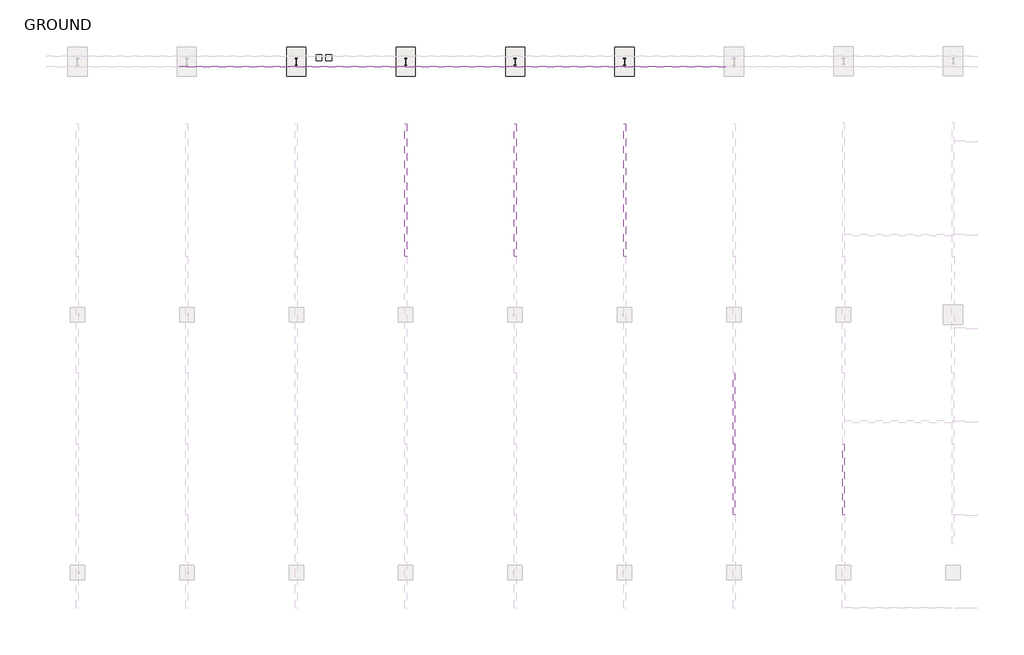
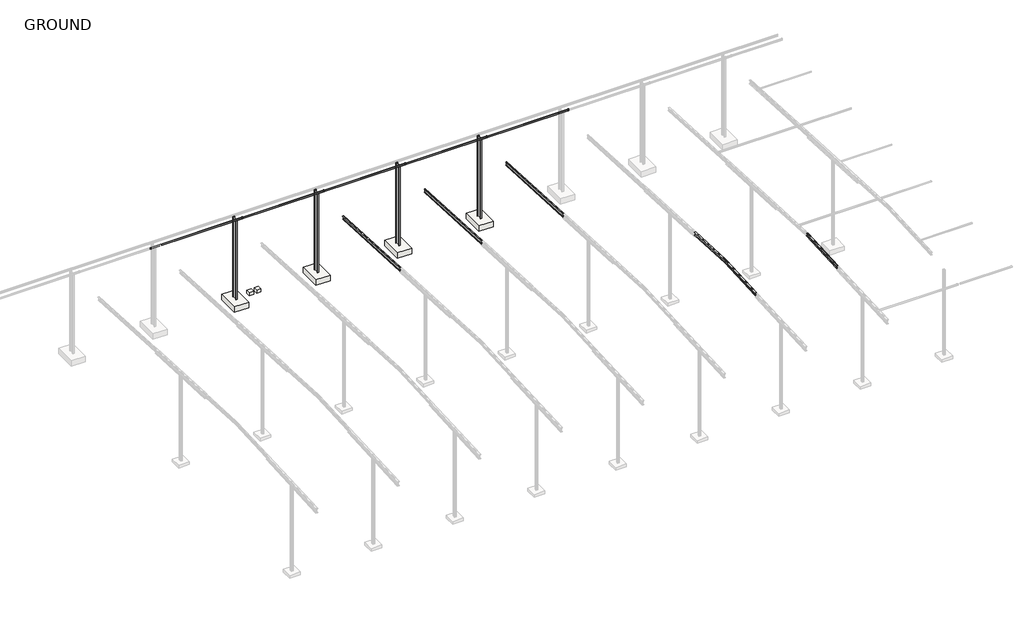
# One storey, part 54 of 56: 11 beams, 6 slabs, 4 columns.
"""IFC4 building model written with IfcOpenShell, lengths in millimetres."""

from ifc_helpers import new_model, si_unit, point, frame, frame_2d, origin, place, context, project, spatial, polyline, circle_curve, ellipse_curve, trimmed, segment, composite_curve, outline, extrude, element, save
from ifc_brep_helpers import plane_surface, revolved_surface, advanced_brep

model = new_model("IFC4")

# Units and contexts
model_context = context("Model", 3, world=origin())
ifc_project = project(units=[si_unit("LENGTHUNIT", "METRE", prefix="MILLI")], contexts=[model_context])

# Site, building, storey
site = spatial("IfcSite", under=ifc_project)
building = spatial("IfcBuilding", under=site)
storey = spatial("IfcBuildingStorey", under=building, Name="GROUND", Elevation=47100.0)

# Beams
placement = place(None, origin())
element("IfcBeam", 1, ObjectType="P2-Z25019", at=placement, inside=storey, context=model_context, shape_type="SweptSolid", body=[
    extrude(outline(composite_curve([segment(polyline([(241908.8594696, 58509.8380858), (241921.744582, 58755.7006773)]), True, "CONTINUOUS"), segment(trimmed(circle_curve(frame_2d((241919.747323, 58755.8053492)), 2.0), [point((241921.744582, 58755.7006773))], [point((241919.8519949, 58757.8026083))], True, "CARTESIAN"), True, "CONTINUOUS"), segment(polyline([(241919.8519949, 58757.8026083), (241860.8329894, 58760.8956633)]), True, "CONTINUOUS"), segment(trimmed(circle_curve(frame_2d((241860.7283175, 58758.8984042)), 2.0), [point((241860.8329894, 58760.8956633))], [point((241858.7310584, 58759.0030761))], True, "CARTESIAN"), True, "CONTINUOUS"), segment(polyline([(241858.7310584, 58759.0030761), (241857.8361135, 58741.9265111), (241855.9387174, 58742.0259494), (241856.8336623, 58759.1025144)]), True, "CONTINUOUS"), segment(trimmed(circle_curve(frame_2d((241860.7283175, 58758.8984042)), 3.9), [point((241856.8336623, 58759.1025144))], [point((241860.9324277, 58762.7930594))], False, "CARTESIAN"), True, "CONTINUOUS"), segment(polyline([(241860.9324277, 58762.7930594), (241919.9514332, 58759.7000044)]), True, "CONTINUOUS"), segment(trimmed(circle_curve(frame_2d((241919.747323, 58755.8053492)), 3.9), [point((241919.9514332, 58759.7000044))], [point((241923.6419781, 58755.601239))], False, "CARTESIAN"), True, "CONTINUOUS"), segment(polyline([(241923.6419781, 58755.601239), (241910.7568657, 58509.7386475)]), True, "CONTINUOUS"), segment(trimmed(circle_curve(frame_2d((241912.7541248, 58509.6339756)), 2.0), [point((241910.7568657, 58509.7386475))], [point((241912.6494529, 58507.6367165))], True, "CARTESIAN"), True, "CONTINUOUS"), segment(polyline([(241912.6494529, 58507.6367165), (241983.252561, 58503.9365644)]), True, "CONTINUOUS"), segment(trimmed(circle_curve(frame_2d((241983.3572329, 58505.9338235)), 2.0), [point((241983.252561, 58503.9365644))], [point((241985.354492, 58505.8291516))], True, "CARTESIAN"), True, "CONTINUOUS"), segment(polyline([(241985.354492, 58505.8291516), (241986.2494368, 58522.9057166), (241988.1468329, 58522.8062783), (241987.2518881, 58505.7297133)]), True, "CONTINUOUS"), segment(trimmed(circle_curve(frame_2d((241983.3572329, 58505.9338235)), 3.9), [point((241987.2518881, 58505.7297133))], [point((241983.1531227, 58502.0391683))], False, "CARTESIAN"), True, "CONTINUOUS"), segment(polyline([(241983.1531227, 58502.0391683), (241912.5500146, 58505.7393204)]), True, "CONTINUOUS"), segment(trimmed(circle_curve(frame_2d((241912.7541248, 58509.6339756)), 3.9), [point((241912.5500146, 58505.7393204))], [point((241908.8594696, 58509.8380858))], False, "CARTESIAN"), True, "CONTINUOUS")], self_intersect=False)), frame((-71476.2885398, 0.0, 0.0), z_axis=(1.0, 0.0, 0.0), x_axis=(0.0, 1.0, 0.0)), (0.0, 0.0, 1.0), 12800.0),
])
element("IfcBeam", 2, ObjectType="P2-Z25019", at=placement, inside=storey, context=model_context, shape_type="SweptSolid", body=[
    extrude(outline(composite_curve([segment(polyline([(241908.8594696, 58509.8380858), (241921.744582, 58755.7006773)]), True, "CONTINUOUS"), segment(trimmed(circle_curve(frame_2d((241919.747323, 58755.8053492)), 2.0), [point((241921.744582, 58755.7006773))], [point((241919.8519949, 58757.8026083))], True, "CARTESIAN"), True, "CONTINUOUS"), segment(polyline([(241919.8519949, 58757.8026083), (241860.8329894, 58760.8956633)]), True, "CONTINUOUS"), segment(trimmed(circle_curve(frame_2d((241860.7283175, 58758.8984042)), 2.0), [point((241860.8329894, 58760.8956633))], [point((241858.7310584, 58759.0030761))], True, "CARTESIAN"), True, "CONTINUOUS"), segment(polyline([(241858.7310584, 58759.0030761), (241857.8361135, 58741.9265111), (241855.9387174, 58742.0259494), (241856.8336623, 58759.1025144)]), True, "CONTINUOUS"), segment(trimmed(circle_curve(frame_2d((241860.7283175, 58758.8984042)), 3.9), [point((241856.8336623, 58759.1025144))], [point((241860.9324277, 58762.7930594))], False, "CARTESIAN"), True, "CONTINUOUS"), segment(polyline([(241860.9324277, 58762.7930594), (241919.9514332, 58759.7000044)]), True, "CONTINUOUS"), segment(trimmed(circle_curve(frame_2d((241919.747323, 58755.8053492)), 3.9), [point((241919.9514332, 58759.7000044))], [point((241923.6419781, 58755.601239))], False, "CARTESIAN"), True, "CONTINUOUS"), segment(polyline([(241923.6419781, 58755.601239), (241910.7568657, 58509.7386475)]), True, "CONTINUOUS"), segment(trimmed(circle_curve(frame_2d((241912.7541248, 58509.6339756)), 2.0), [point((241910.7568657, 58509.7386475))], [point((241912.6494529, 58507.6367165))], True, "CARTESIAN"), True, "CONTINUOUS"), segment(polyline([(241912.6494529, 58507.6367165), (241983.252561, 58503.9365644)]), True, "CONTINUOUS"), segment(trimmed(circle_curve(frame_2d((241983.3572329, 58505.9338235)), 2.0), [point((241983.252561, 58503.9365644))], [point((241985.354492, 58505.8291516))], True, "CARTESIAN"), True, "CONTINUOUS"), segment(polyline([(241985.354492, 58505.8291516), (241986.2494368, 58522.9057166), (241988.1468329, 58522.8062783), (241987.2518881, 58505.7297133)]), True, "CONTINUOUS"), segment(trimmed(circle_curve(frame_2d((241983.3572329, 58505.9338235)), 3.9), [point((241987.2518881, 58505.7297133))], [point((241983.1531227, 58502.0391683))], False, "CARTESIAN"), True, "CONTINUOUS"), segment(polyline([(241983.1531227, 58502.0391683), (241912.5500146, 58505.7393204)]), True, "CONTINUOUS"), segment(trimmed(circle_curve(frame_2d((241912.7541248, 58509.6339756)), 3.9), [point((241912.5500146, 58505.7393204))], [point((241908.8594696, 58509.8380858))], False, "CARTESIAN"), True, "CONTINUOUS")], self_intersect=False)), frame((-82776.2885398, 0.0, 0.0), z_axis=(1.0, 0.0, 0.0), x_axis=(0.0, 1.0, 0.0)), (0.0, 0.0, 1.0), 12800.0),
])
element("IfcBeam", 3, ObjectType="P2-Z25019", at=placement, inside=storey, context=model_context, shape_type="SweptSolid", body=[
    extrude(outline(composite_curve([segment(polyline([(241908.8594696, 58509.8380858), (241921.744582, 58755.7006773)]), True, "CONTINUOUS"), segment(trimmed(circle_curve(frame_2d((241919.747323, 58755.8053492)), 2.0), [point((241921.744582, 58755.7006773))], [point((241919.8519949, 58757.8026083))], True, "CARTESIAN"), True, "CONTINUOUS"), segment(polyline([(241919.8519949, 58757.8026083), (241860.8329894, 58760.8956633)]), True, "CONTINUOUS"), segment(trimmed(circle_curve(frame_2d((241860.7283175, 58758.8984042)), 2.0), [point((241860.8329894, 58760.8956633))], [point((241858.7310584, 58759.0030761))], True, "CARTESIAN"), True, "CONTINUOUS"), segment(polyline([(241858.7310584, 58759.0030761), (241857.8361135, 58741.9265111), (241855.9387174, 58742.0259494), (241856.8336623, 58759.1025144)]), True, "CONTINUOUS"), segment(trimmed(circle_curve(frame_2d((241860.7283175, 58758.8984042)), 3.9), [point((241856.8336623, 58759.1025144))], [point((241860.9324277, 58762.7930594))], False, "CARTESIAN"), True, "CONTINUOUS"), segment(polyline([(241860.9324277, 58762.7930594), (241919.9514332, 58759.7000044)]), True, "CONTINUOUS"), segment(trimmed(circle_curve(frame_2d((241919.747323, 58755.8053492)), 3.9), [point((241919.9514332, 58759.7000044))], [point((241923.6419781, 58755.601239))], False, "CARTESIAN"), True, "CONTINUOUS"), segment(polyline([(241923.6419781, 58755.601239), (241910.7568657, 58509.7386475)]), True, "CONTINUOUS"), segment(trimmed(circle_curve(frame_2d((241912.7541248, 58509.6339756)), 2.0), [point((241910.7568657, 58509.7386475))], [point((241912.6494529, 58507.6367165))], True, "CARTESIAN"), True, "CONTINUOUS"), segment(polyline([(241912.6494529, 58507.6367165), (241983.252561, 58503.9365644)]), True, "CONTINUOUS"), segment(trimmed(circle_curve(frame_2d((241983.3572329, 58505.9338235)), 2.0), [point((241983.252561, 58503.9365644))], [point((241985.354492, 58505.8291516))], True, "CARTESIAN"), True, "CONTINUOUS"), segment(polyline([(241985.354492, 58505.8291516), (241986.2494368, 58522.9057166), (241988.1468329, 58522.8062783), (241987.2518881, 58505.7297133)]), True, "CONTINUOUS"), segment(trimmed(circle_curve(frame_2d((241983.3572329, 58505.9338235)), 3.9), [point((241987.2518881, 58505.7297133))], [point((241983.1531227, 58502.0391683))], False, "CARTESIAN"), True, "CONTINUOUS"), segment(polyline([(241983.1531227, 58502.0391683), (241912.5500146, 58505.7393204)]), True, "CONTINUOUS"), segment(trimmed(circle_curve(frame_2d((241912.7541248, 58509.6339756)), 3.9), [point((241912.5500146, 58505.7393204))], [point((241908.8594696, 58509.8380858))], False, "CARTESIAN"), True, "CONTINUOUS")], self_intersect=False)), frame((-94076.2885398, 0.0, 0.0), z_axis=(1.0, 0.0, 0.0), x_axis=(0.0, 1.0, 0.0)), (0.0, 0.0, 1.0), 12800.0),
])
element("IfcBeam", 4, ObjectType="P2-Z25019", at=placement, inside=storey, context=model_context, shape_type="SweptSolid", body=[
    extrude(outline(composite_curve([segment(polyline([(241908.8594696, 58509.8380858), (241921.744582, 58755.7006773)]), True, "CONTINUOUS"), segment(trimmed(circle_curve(frame_2d((241919.747323, 58755.8053492)), 2.0), [point((241921.744582, 58755.7006773))], [point((241919.8519949, 58757.8026083))], True, "CARTESIAN"), True, "CONTINUOUS"), segment(polyline([(241919.8519949, 58757.8026083), (241860.8329894, 58760.8956633)]), True, "CONTINUOUS"), segment(trimmed(circle_curve(frame_2d((241860.7283175, 58758.8984042)), 2.0), [point((241860.8329894, 58760.8956633))], [point((241858.7310584, 58759.0030761))], True, "CARTESIAN"), True, "CONTINUOUS"), segment(polyline([(241858.7310584, 58759.0030761), (241857.8361135, 58741.9265111), (241855.9387174, 58742.0259494), (241856.8336623, 58759.1025144)]), True, "CONTINUOUS"), segment(trimmed(circle_curve(frame_2d((241860.7283175, 58758.8984042)), 3.9), [point((241856.8336623, 58759.1025144))], [point((241860.9324277, 58762.7930594))], False, "CARTESIAN"), True, "CONTINUOUS"), segment(polyline([(241860.9324277, 58762.7930594), (241919.9514332, 58759.7000044)]), True, "CONTINUOUS"), segment(trimmed(circle_curve(frame_2d((241919.747323, 58755.8053492)), 3.9), [point((241919.9514332, 58759.7000044))], [point((241923.6419781, 58755.601239))], False, "CARTESIAN"), True, "CONTINUOUS"), segment(polyline([(241923.6419781, 58755.601239), (241910.7568657, 58509.7386475)]), True, "CONTINUOUS"), segment(trimmed(circle_curve(frame_2d((241912.7541248, 58509.6339756)), 2.0), [point((241910.7568657, 58509.7386475))], [point((241912.6494529, 58507.6367165))], True, "CARTESIAN"), True, "CONTINUOUS"), segment(polyline([(241912.6494529, 58507.6367165), (241983.252561, 58503.9365644)]), True, "CONTINUOUS"), segment(trimmed(circle_curve(frame_2d((241983.3572329, 58505.9338235)), 2.0), [point((241983.252561, 58503.9365644))], [point((241985.354492, 58505.8291516))], True, "CARTESIAN"), True, "CONTINUOUS"), segment(polyline([(241985.354492, 58505.8291516), (241986.2494368, 58522.9057166), (241988.1468329, 58522.8062783), (241987.2518881, 58505.7297133)]), True, "CONTINUOUS"), segment(trimmed(circle_curve(frame_2d((241983.3572329, 58505.9338235)), 3.9), [point((241987.2518881, 58505.7297133))], [point((241983.1531227, 58502.0391683))], False, "CARTESIAN"), True, "CONTINUOUS"), segment(polyline([(241983.1531227, 58502.0391683), (241912.5500146, 58505.7393204)]), True, "CONTINUOUS"), segment(trimmed(circle_curve(frame_2d((241912.7541248, 58509.6339756)), 3.9), [point((241912.5500146, 58505.7393204))], [point((241908.8594696, 58509.8380858))], False, "CARTESIAN"), True, "CONTINUOUS")], self_intersect=False)), frame((-105376.2885398, 0.0, 0.0), z_axis=(1.0, 0.0, 0.0), x_axis=(0.0, 1.0, 0.0)), (0.0, 0.0, 1.0), 12800.0),
])
element("IfcBeam", 5, ObjectType="P2-Z25019", at=placement, inside=storey, context=model_context, shape_type="SweptSolid", body=[
    extrude(outline(composite_curve([segment(polyline([(241908.8594696, 58509.8380858), (241921.744582, 58755.7006773)]), True, "CONTINUOUS"), segment(trimmed(circle_curve(frame_2d((241919.747323, 58755.8053492)), 2.0), [point((241921.744582, 58755.7006773))], [point((241919.8519949, 58757.8026083))], True, "CARTESIAN"), True, "CONTINUOUS"), segment(polyline([(241919.8519949, 58757.8026083), (241860.8329894, 58760.8956633)]), True, "CONTINUOUS"), segment(trimmed(circle_curve(frame_2d((241860.7283175, 58758.8984042)), 2.0), [point((241860.8329894, 58760.8956633))], [point((241858.7310584, 58759.0030761))], True, "CARTESIAN"), True, "CONTINUOUS"), segment(polyline([(241858.7310584, 58759.0030761), (241857.8361135, 58741.9265111), (241855.9387174, 58742.0259494), (241856.8336623, 58759.1025144)]), True, "CONTINUOUS"), segment(trimmed(circle_curve(frame_2d((241860.7283175, 58758.8984042)), 3.9), [point((241856.8336623, 58759.1025144))], [point((241860.9324277, 58762.7930594))], False, "CARTESIAN"), True, "CONTINUOUS"), segment(polyline([(241860.9324277, 58762.7930594), (241919.9514332, 58759.7000044)]), True, "CONTINUOUS"), segment(trimmed(circle_curve(frame_2d((241919.747323, 58755.8053492)), 3.9), [point((241919.9514332, 58759.7000044))], [point((241923.6419781, 58755.601239))], False, "CARTESIAN"), True, "CONTINUOUS"), segment(polyline([(241923.6419781, 58755.601239), (241910.7568657, 58509.7386475)]), True, "CONTINUOUS"), segment(trimmed(circle_curve(frame_2d((241912.7541248, 58509.6339756)), 2.0), [point((241910.7568657, 58509.7386475))], [point((241912.6494529, 58507.6367165))], True, "CARTESIAN"), True, "CONTINUOUS"), segment(polyline([(241912.6494529, 58507.6367165), (241983.252561, 58503.9365644)]), True, "CONTINUOUS"), segment(trimmed(circle_curve(frame_2d((241983.3572329, 58505.9338235)), 2.0), [point((241983.252561, 58503.9365644))], [point((241985.354492, 58505.8291516))], True, "CARTESIAN"), True, "CONTINUOUS"), segment(polyline([(241985.354492, 58505.8291516), (241986.2494368, 58522.9057166), (241988.1468329, 58522.8062783), (241987.2518881, 58505.7297133)]), True, "CONTINUOUS"), segment(trimmed(circle_curve(frame_2d((241983.3572329, 58505.9338235)), 3.9), [point((241987.2518881, 58505.7297133))], [point((241983.1531227, 58502.0391683))], False, "CARTESIAN"), True, "CONTINUOUS"), segment(polyline([(241983.1531227, 58502.0391683), (241912.5500146, 58505.7393204)]), True, "CONTINUOUS"), segment(trimmed(circle_curve(frame_2d((241912.7541248, 58509.6339756)), 3.9), [point((241912.5500146, 58505.7393204))], [point((241908.8594696, 58509.8380858))], False, "CARTESIAN"), True, "CONTINUOUS")], self_intersect=False)), frame((-116676.2885398, 0.0, 0.0), z_axis=(1.0, 0.0, 0.0), x_axis=(0.0, 1.0, 0.0)), (0.0, 0.0, 1.0), 12800.0),
])
element("IfcBeam", 6, ObjectType="R10-410UB59.7", at=placement, inside=storey, context=model_context, shape_type="AdvancedBrep", body=[
    advanced_brep(
    [(-59430.1885398, 202970.0, 60153.9145624), (-59441.5885398, 202970.0, 60142.4989176), (-59441.5885398, 195650.3170897, 59758.8905912), (-59430.1885398, 195649.7204598, 59770.2749679), (-59430.1885398, 202970.0, 60512.4058622), (-59430.1885398, 195630.9841874, 60127.7843414), (-59441.5885398, 202970.0, 60523.821507), (-59441.5885398, 195630.3875575, 60139.1687181), (-59515.2885398, 202970.0, 60523.821507), (-59515.2885398, 195630.3875575, 60139.1687181), (-59515.2885398, 202970.0, 60536.639073), (-59515.2885398, 195629.7176573, 60151.9511761), (-59337.2885398, 202970.0, 60536.639073), (-59337.2885398, 195629.7176573, 60151.9511761), (-59337.2885398, 202970.0, 60523.821507), (-59337.2885398, 195630.3875575, 60139.1687181), (-59515.2885398, 195650.3170897, 59758.8905912), (-59515.2885398, 195650.9869899, 59746.1081332), (-59337.2885398, 195650.9869899, 59746.1081332), (-59337.2885398, 195650.3170897, 59758.8905912), (-59410.9885398, 195650.3170897, 59758.8905912), (-59422.3885398, 195649.7204598, 59770.2749679), (-59422.3885398, 195630.9841874, 60127.7843414), (-59410.9885398, 195630.3875575, 60139.1687181), (-59515.2885398, 202970.0, 60142.4989176), (-59410.9885398, 202970.0, 60523.821507), (-59422.3885398, 202970.0, 60512.4058622), (-59422.3885398, 202970.0, 60153.9145624), (-59410.9885398, 202970.0, 60142.4989176), (-59337.2885398, 202970.0, 60142.4989176), (-59337.2885398, 202970.0, 60129.6813516), (-59515.2885398, 202970.0, 60129.6813516)],
    [
        (0, 1, ellipse_curve(frame((-59441.5885398, 202970.0, 60153.9145624), z_axis=(0.0, 1.0, 0.0), x_axis=(0.0, 0.0, -0.9999999999999999)), 11.4156447, 11.4)),
        (1, 2),
        (2, 3, circle_curve(frame((-59441.5885398, 195649.7204598, 59770.2749679), z_axis=(0.0, -0.9986295347545777, -0.05233595624287094), x_axis=(1.0, 0.0, 0.0)), 11.4)),
        (3, 0),
        (4, 0),
        (3, 5),
        (5, 4),
        (6, 4, ellipse_curve(frame((-59441.5885398, 202970.0, 60512.4058622), z_axis=(0.0, 1.0, 0.0), x_axis=(0.0, 0.0, -0.9999999999999999)), 11.4156447, 11.4)),
        (5, 7, circle_curve(frame((-59441.5885398, 195630.9841874, 60127.7843414), z_axis=(0.0, -0.9986295347545777, -0.05233595624287094), x_axis=(1.0, 0.0, 0.0)), 11.4)),
        (7, 6),
        (8, 6),
        (7, 9),
        (9, 8),
        (10, 8),
        (9, 11),
        (11, 10),
        (12, 10),
        (11, 13),
        (13, 12),
        (14, 12),
        (13, 15),
        (15, 14),
        (16, 17),
        (17, 18),
        (18, 19),
        (19, 20),
        (20, 21, circle_curve(frame((-59410.9885398, 195649.7204598, 59770.2749679), z_axis=(0.0, 0.9986295347545777, 0.05233595624287094), x_axis=(1.0, 0.0, 0.0)), 11.4)),
        (21, 22),
        (22, 23, circle_curve(frame((-59410.9885398, 195630.9841874, 60127.7843414), z_axis=(0.0, 0.9986295347545777, 0.05233595624287094), x_axis=(1.0, 0.0, 0.0)), 11.4)),
        (23, 15),
        (2, 16),
        (1, 24),
        (24, 16),
        (25, 14),
        (23, 25),
        (26, 25, ellipse_curve(frame((-59410.9885398, 202970.0, 60512.4058622), z_axis=(0.0, 1.0, 0.0), x_axis=(0.0, 0.0, -0.9999999999999999)), 11.4156447, 11.4)),
        (22, 26),
        (27, 26),
        (21, 27),
        (28, 27, ellipse_curve(frame((-59410.9885398, 202970.0, 60153.9145624), z_axis=(0.0, 1.0, 0.0), x_axis=(0.0, 0.0, -0.9999999999999999)), 11.4156447, 11.4)),
        (20, 28),
        (29, 28),
        (19, 29),
        (30, 29),
        (18, 30),
        (31, 30),
        (17, 31),
        (24, 31),
    ],
    [
        revolved_surface(polyline([(-59430.1885398, 195649.72045979777, 59770.27496791633), (-59430.1885398, 202970.59662990153, 60153.94583039707)]), (-59441.5885398, 202957.6913951, 60153.2694957), (0.0, -0.9986295347545777, -0.05233595624287094)),
        plane_surface(frame((-59430.1885398, 202957.6913951, 60153.2694957), z_axis=(-1.0, 0.0, 0.0), x_axis=(0.0, -0.9986295347545777, -0.05233595624287094))),
        revolved_surface(polyline([(-59430.1885398, 195630.98418739942, 60127.784341411185), (-59430.1885398, 202970.5966299003, 60512.43713032029)]), (-59441.5885398, 202938.9551228, 60510.7788692), (0.0, -0.9986295347545777, -0.05233595624287094)),
        plane_surface(frame((-59441.5885398, 202938.3584929, 60522.1632459), z_axis=(0.0, 0.05233595624287094, -0.9986295347545777), x_axis=(0.0, -0.9986295347545777, -0.05233595624287094))),
        plane_surface(frame((-59515.2885398, 202938.3584929, 60522.1632459), z_axis=(-1.0, 0.0, 0.0), x_axis=(0.0, -0.9986295347545777, -0.05233595624287094))),
        plane_surface(frame((-59515.2885398, 202937.6885926, 60534.9457039), z_axis=(0.0, -0.05233595624287094, 0.9986295347545777), x_axis=(0.0, -0.9986295347545777, -0.05233595624287094))),
        plane_surface(frame((-59337.2885398, 202937.6885926, 60534.9457039), z_axis=(1.0, 0.0, 0.0), x_axis=(0.0, -0.9986295347545777, -0.05233595624287094))),
        plane_surface(frame((-59426.2885398, 195640.3523236, 59949.0296546), z_axis=(0.0, -0.9986295347545777, -0.05233595624287096), x_axis=(0.0, -0.05233595624287096, 0.9986295347545777))),
        plane_surface(frame((-59515.2885398, 202958.288025, 60141.885119), z_axis=(0.0, -0.05233595624287094, 0.9986295347545777), x_axis=(0.0, -0.9986295347545777, -0.05233595624287094))),
        plane_surface(frame((-59337.2885398, 202938.3584929, 60522.1632459), z_axis=(0.0, 0.05233595624287094, -0.9986295347545777), x_axis=(0.0, -0.9986295347545777, -0.05233595624287094))),
        revolved_surface(polyline([(-59399.588539799995, 195630.98418739942, 60127.784341411185), (-59399.588539799995, 202970.5966299003, 60512.43713032029)]), (-59410.9885398, 202938.9551228, 60510.7788692), (0.0, -0.9986295347545777, -0.05233595624287094)),
        plane_surface(frame((-59422.3885398, 202938.9551228, 60510.7788692), z_axis=(1.0, 0.0, 0.0), x_axis=(0.0, -0.9986295347545777, -0.05233595624287094))),
        revolved_surface(polyline([(-59399.588539799995, 195649.72045979777, 59770.27496791633), (-59399.588539799995, 202970.59662990153, 60153.94583039707)]), (-59410.9885398, 202957.6913951, 60153.2694957), (0.0, -0.9986295347545777, -0.05233595624287094)),
        plane_surface(frame((-59410.9885398, 202958.288025, 60141.885119), z_axis=(0.0, -0.05233595624287094, 0.9986295347545777), x_axis=(0.0, -0.9986295347545777, -0.05233595624287094))),
        plane_surface(frame((-59337.2885398, 202958.288025, 60141.885119), z_axis=(1.0, 0.0, 0.0), x_axis=(0.0, -0.9986295347545777, -0.05233595624287094))),
        plane_surface(frame((-59337.2885398, 202958.9579253, 60129.102661), z_axis=(0.0, 0.05233595624287094, -0.9986295347545777), x_axis=(0.0, -0.9986295347545777, -0.05233595624287094))),
        plane_surface(frame((-59515.2885398, 202958.9579253, 60129.102661), z_axis=(-1.0, 0.0, 0.0), x_axis=(0.0, -0.9986295347545777, -0.05233595624287094))),
        plane_surface(frame((-59426.2885398, 202970.0, 60129.6813516), z_axis=(0.0, 1.0, 0.0), x_axis=(0.0, 0.0, -1.0))),
    ],
    [
        (0, [[1, 2, 3, 4]]),
        (1, [[5, -4, 6, 7]]),
        (2, [[8, -7, 9, 10]]),
        (3, [[11, -10, 12, 13]]),
        (4, [[14, -13, 15, 16]]),
        (5, [[17, -16, 18, 19]]),
        (6, [[20, -19, 21, 22]]),
        (7, [[23, 24, 25, 26, 27, 28, 29, 30, -21, -18, -15, -12, -9, -6, -3, 31]]),
        (8, [[32, 33, -31, -2]]),
        (9, [[34, -22, -30, 35]]),
        (10, [[36, -35, -29, 37]]),
        (11, [[38, -37, -28, 39]]),
        (12, [[40, -39, -27, 41]]),
        (13, [[42, -41, -26, 43]]),
        (14, [[44, -43, -25, 45]]),
        (15, [[46, -45, -24, 47]]),
        (16, [[48, -47, -23, -33]]),
        (17, [[-32, -1, -5, -8, -11, -14, -17, -20, -34, -36, -38, -40, -42, -44, -46, -48]]),
    ],
),
])
element("IfcBeam", 7, ObjectType="R10-410UB59.7", at=placement, inside=storey, context=model_context, shape_type="AdvancedBrep", body=[
    advanced_brep(
    [(-59430.1885398, 202970.0, 60153.9145624), (-59430.1885398, 210290.0800452, 59770.285423), (-59441.5885398, 210289.4834153, 59758.9010463), (-59441.5885398, 202970.0, 60142.4989176), (-59430.1885398, 202970.0, 60512.4058622), (-59430.1885398, 210308.8163176, 60127.7947965), (-59441.5885398, 202970.0, 60523.821507), (-59441.5885398, 210309.4129475, 60139.1791732), (-59515.2885398, 202970.0, 60523.821507), (-59515.2885398, 210309.4129475, 60139.1791732), (-59515.2885398, 202970.0, 60536.639073), (-59515.2885398, 210310.0828477, 60151.9616312), (-59337.2885398, 202970.0, 60536.639073), (-59337.2885398, 210310.0828477, 60151.9616312), (-59337.2885398, 202970.0, 60523.821507), (-59337.2885398, 210309.4129475, 60139.1791732), (-59515.2885398, 210289.4834153, 59758.9010463), (-59410.9885398, 210309.4129475, 60139.1791732), (-59422.3885398, 210308.8163176, 60127.7947965), (-59422.3885398, 210290.0800452, 59770.285423), (-59410.9885398, 210289.4834153, 59758.9010463), (-59337.2885398, 210289.4834153, 59758.9010463), (-59337.2885398, 210288.8135151, 59746.1185883), (-59515.2885398, 210288.8135151, 59746.1185883), (-59515.2885398, 202970.0, 60142.4989176), (-59410.9885398, 202970.0, 60523.821507), (-59422.3885398, 202970.0, 60512.4058622), (-59422.3885398, 202970.0, 60153.9145624), (-59410.9885398, 202970.0, 60142.4989176), (-59337.2885398, 202970.0, 60142.4989176), (-59337.2885398, 202970.0, 60129.6813516), (-59515.2885398, 202970.0, 60129.6813516)],
    [
        (0, 1),
        (1, 2, circle_curve(frame((-59441.5885398, 210290.0800452, 59770.285423), z_axis=(0.0, 0.9986295347545777, -0.05233595624287094), x_axis=(1.0, 0.0, 0.0)), 11.4)),
        (2, 3),
        (3, 0, ellipse_curve(frame((-59441.5885398, 202970.0, 60153.9145624), z_axis=(0.0, -1.0, 0.0), x_axis=(0.0, 0.0, -0.9999999999999999)), 11.4156447, 11.4)),
        (4, 5),
        (5, 1),
        (0, 4),
        (6, 7),
        (7, 5, circle_curve(frame((-59441.5885398, 210308.8163176, 60127.7947965), z_axis=(0.0, 0.9986295347545777, -0.05233595624287094), x_axis=(1.0, 0.0, 0.0)), 11.4)),
        (4, 6, ellipse_curve(frame((-59441.5885398, 202970.0, 60512.4058622), z_axis=(0.0, -1.0, 0.0), x_axis=(0.0, 0.0, -0.9999999999999999)), 11.4156447, 11.4)),
        (8, 9),
        (9, 7),
        (6, 8),
        (10, 11),
        (11, 9),
        (8, 10),
        (12, 13),
        (13, 11),
        (10, 12),
        (14, 15),
        (15, 13),
        (12, 14),
        (16, 2),
        (15, 17),
        (17, 18, circle_curve(frame((-59410.9885398, 210308.8163176, 60127.7947965), z_axis=(0.0, -0.9986295347545777, 0.05233595624287094), x_axis=(1.0, 0.0, 0.0)), 11.4)),
        (18, 19),
        (19, 20, circle_curve(frame((-59410.9885398, 210290.0800452, 59770.285423), z_axis=(0.0, -0.9986295347545777, 0.05233595624287094), x_axis=(1.0, 0.0, 0.0)), 11.4)),
        (20, 21),
        (21, 22),
        (22, 23),
        (23, 16),
        (16, 24),
        (24, 3),
        (25, 17),
        (14, 25),
        (26, 18),
        (25, 26, ellipse_curve(frame((-59410.9885398, 202970.0, 60512.4058622), z_axis=(0.0, -1.0, 0.0), x_axis=(0.0, 0.0, -0.9999999999999999)), 11.4156447, 11.4)),
        (27, 19),
        (26, 27),
        (28, 20),
        (27, 28, ellipse_curve(frame((-59410.9885398, 202970.0, 60153.9145624), z_axis=(0.0, -1.0, 0.0), x_axis=(0.0, 0.0, -0.9999999999999999)), 11.4156447, 11.4)),
        (29, 21),
        (28, 29),
        (30, 22),
        (29, 30),
        (31, 23),
        (30, 31),
        (31, 24),
    ],
    [
        revolved_surface(polyline([(-59430.1885398, 210290.08004520222, 59770.285423016336), (-59430.1885398, 202969.403370099, 60153.945830407116)]), (-59441.5885398, 202982.1091099, 60153.2799508), (0.0, 0.9986295347545777, -0.05233595624287094)),
        plane_surface(frame((-59430.1885398, 202982.1091099, 60153.2799508), z_axis=(-1.0, 0.0, 0.0), x_axis=(0.0, 0.9986295347545777, -0.05233595624287094))),
        revolved_surface(polyline([(-59430.1885398, 210308.81631759537, 60127.79479641146), (-59430.1885398, 202969.403370095, 60512.43713023061)]), (-59441.5885398, 203000.8453822, 60510.7893242), (0.0, 0.9986295347545777, -0.05233595624287094)),
        plane_surface(frame((-59441.5885398, 203001.4420121, 60522.1737009), z_axis=(0.0, -0.05233595624287094, -0.9986295347545777), x_axis=(0.0, 0.9986295347545777, -0.05233595624287094))),
        plane_surface(frame((-59515.2885398, 203001.4420121, 60522.1737009), z_axis=(-1.0, 0.0, 0.0), x_axis=(0.0, 0.9986295347545777, -0.05233595624287094))),
        plane_surface(frame((-59515.2885398, 203002.1119124, 60534.956159), z_axis=(0.0, 0.05233595624287094, 0.9986295347545777), x_axis=(0.0, 0.9986295347545777, -0.05233595624287094))),
        plane_surface(frame((-59337.2885398, 203002.1119124, 60534.956159), z_axis=(1.0, 0.0, 0.0), x_axis=(0.0, 0.9986295347545777, -0.05233595624287094))),
        plane_surface(frame((-59426.2885398, 210299.4481814, 59949.0401097), z_axis=(0.0, 0.9986295347545777, -0.05233595624287136), x_axis=(0.0, 0.05233595624287136, 0.9986295347545777))),
        plane_surface(frame((-59515.2885398, 202981.51248, 60141.8955741), z_axis=(0.0, 0.05233595624287094, 0.9986295347545777), x_axis=(0.0, 0.9986295347545777, -0.05233595624287094))),
        plane_surface(frame((-59337.2885398, 203001.4420121, 60522.1737009), z_axis=(0.0, -0.05233595624287094, -0.9986295347545777), x_axis=(0.0, 0.9986295347545777, -0.05233595624287094))),
        revolved_surface(polyline([(-59399.588539799995, 210308.81631759537, 60127.79479641146), (-59399.588539799995, 202969.403370095, 60512.43713023061)]), (-59410.9885398, 203000.8453822, 60510.7893242), (0.0, 0.9986295347545777, -0.05233595624287094)),
        plane_surface(frame((-59422.3885398, 203000.8453822, 60510.7893242), z_axis=(1.0, 0.0, 0.0), x_axis=(0.0, 0.9986295347545777, -0.05233595624287094))),
        revolved_surface(polyline([(-59399.588539799995, 210290.08004520222, 59770.285423016336), (-59399.588539799995, 202969.403370099, 60153.945830407116)]), (-59410.9885398, 202982.1091099, 60153.2799508), (0.0, 0.9986295347545777, -0.05233595624287094)),
        plane_surface(frame((-59410.9885398, 202981.51248, 60141.8955741), z_axis=(0.0, 0.05233595624287094, 0.9986295347545777), x_axis=(0.0, 0.9986295347545777, -0.05233595624287094))),
        plane_surface(frame((-59337.2885398, 202981.51248, 60141.8955741), z_axis=(1.0, 0.0, 0.0), x_axis=(0.0, 0.9986295347545777, -0.05233595624287094))),
        plane_surface(frame((-59337.2885398, 202980.8425797, 60129.1131161), z_axis=(0.0, -0.05233595624287094, -0.9986295347545777), x_axis=(0.0, 0.9986295347545777, -0.05233595624287094))),
        plane_surface(frame((-59515.2885398, 202980.8425797, 60129.1131161), z_axis=(-1.0, 0.0, 0.0), x_axis=(0.0, 0.9986295347545777, -0.05233595624287094))),
        plane_surface(frame((-59426.2885398, 202970.0, 60129.6813516), z_axis=(0.0, -1.0, 0.0), x_axis=(0.0, 0.0, 1.0))),
    ],
    [
        (0, [[1, 2, 3, 4]]),
        (1, [[5, 6, -1, 7]]),
        (2, [[8, 9, -5, 10]]),
        (3, [[11, 12, -8, 13]]),
        (4, [[14, 15, -11, 16]]),
        (5, [[17, 18, -14, 19]]),
        (6, [[20, 21, -17, 22]]),
        (7, [[23, -2, -6, -9, -12, -15, -18, -21, 24, 25, 26, 27, 28, 29, 30, 31]]),
        (8, [[-3, -23, 32, 33]]),
        (9, [[34, -24, -20, 35]]),
        (10, [[36, -25, -34, 37]]),
        (11, [[38, -26, -36, 39]]),
        (12, [[40, -27, -38, 41]]),
        (13, [[42, -28, -40, 43]]),
        (14, [[44, -29, -42, 45]]),
        (15, [[46, -30, -44, 47]]),
        (16, [[-32, -31, -46, 48]]),
        (17, [[-48, -47, -45, -43, -41, -39, -37, -35, -22, -19, -16, -13, -10, -7, -4, -33]]),
    ],
),
])
element("IfcBeam", 8, ObjectType="R10-410UB59.7", at=placement, inside=storey, context=model_context, shape_type="AdvancedBrep", body=[
    advanced_brep(
    [(-48130.1885398, 202970.0, 60153.9145624), (-48141.5885398, 202970.0, 60142.4989176), (-48141.5885398, 195650.3170897, 59758.8905912), (-48130.1885398, 195649.7204598, 59770.2749679), (-48130.1885398, 202970.0, 60512.4058622), (-48130.1885398, 195630.9841874, 60127.7843414), (-48141.5885398, 202970.0, 60523.821507), (-48141.5885398, 195630.3875575, 60139.1687181), (-48215.2885398, 202970.0, 60523.821507), (-48215.2885398, 195630.3875575, 60139.1687181), (-48215.2885398, 202970.0, 60536.639073), (-48215.2885398, 195629.7176573, 60151.9511761), (-48037.2885398, 202970.0, 60536.639073), (-48037.2885398, 195629.7176573, 60151.9511761), (-48037.2885398, 202970.0, 60523.821507), (-48037.2885398, 195630.3875575, 60139.1687181), (-48215.2885398, 195650.3170897, 59758.8905912), (-48215.2885398, 195650.9869899, 59746.1081332), (-48037.2885398, 195650.9869899, 59746.1081332), (-48037.2885398, 195650.3170897, 59758.8905912), (-48110.9885398, 195650.3170897, 59758.8905912), (-48122.3885398, 195649.7204598, 59770.2749679), (-48122.3885398, 195630.9841874, 60127.7843414), (-48110.9885398, 195630.3875575, 60139.1687181), (-48215.2885398, 202970.0, 60142.4989176), (-48110.9885398, 202970.0, 60523.821507), (-48122.3885398, 202970.0, 60512.4058622), (-48122.3885398, 202970.0, 60153.9145624), (-48110.9885398, 202970.0, 60142.4989176), (-48037.2885398, 202970.0, 60142.4989176), (-48037.2885398, 202970.0, 60129.6813516), (-48215.2885398, 202970.0, 60129.6813516)],
    [
        (0, 1, ellipse_curve(frame((-48141.5885398, 202970.0, 60153.9145624), z_axis=(0.0, 1.0, 0.0), x_axis=(0.0, 0.0, -0.9999999999999999)), 11.4156447, 11.4)),
        (1, 2),
        (2, 3, circle_curve(frame((-48141.5885398, 195649.7204598, 59770.2749679), z_axis=(0.0, -0.9986295347545777, -0.05233595624287094), x_axis=(1.0, 0.0, 0.0)), 11.4)),
        (3, 0),
        (4, 0),
        (3, 5),
        (5, 4),
        (6, 4, ellipse_curve(frame((-48141.5885398, 202970.0, 60512.4058622), z_axis=(0.0, 1.0, 0.0), x_axis=(0.0, 0.0, -0.9999999999999999)), 11.4156447, 11.4)),
        (5, 7, circle_curve(frame((-48141.5885398, 195630.9841874, 60127.7843414), z_axis=(0.0, -0.9986295347545777, -0.05233595624287094), x_axis=(1.0, 0.0, 0.0)), 11.4)),
        (7, 6),
        (8, 6),
        (7, 9),
        (9, 8),
        (10, 8),
        (9, 11),
        (11, 10),
        (12, 10),
        (11, 13),
        (13, 12),
        (14, 12),
        (13, 15),
        (15, 14),
        (16, 17),
        (17, 18),
        (18, 19),
        (19, 20),
        (20, 21, circle_curve(frame((-48110.9885398, 195649.7204598, 59770.2749679), z_axis=(0.0, 0.9986295347545777, 0.05233595624287094), x_axis=(1.0, 0.0, 0.0)), 11.4)),
        (21, 22),
        (22, 23, circle_curve(frame((-48110.9885398, 195630.9841874, 60127.7843414), z_axis=(0.0, 0.9986295347545777, 0.05233595624287094), x_axis=(1.0, 0.0, 0.0)), 11.4)),
        (23, 15),
        (2, 16),
        (1, 24),
        (24, 16),
        (25, 14),
        (23, 25),
        (26, 25, ellipse_curve(frame((-48110.9885398, 202970.0, 60512.4058622), z_axis=(0.0, 1.0, 0.0), x_axis=(0.0, 0.0, -0.9999999999999999)), 11.4156447, 11.4)),
        (22, 26),
        (27, 26),
        (21, 27),
        (28, 27, ellipse_curve(frame((-48110.9885398, 202970.0, 60153.9145624), z_axis=(0.0, 1.0, 0.0), x_axis=(0.0, 0.0, -0.9999999999999999)), 11.4156447, 11.4)),
        (20, 28),
        (29, 28),
        (19, 29),
        (30, 29),
        (18, 30),
        (31, 30),
        (17, 31),
        (24, 31),
    ],
    [
        revolved_surface(polyline([(-48130.1885398, 195649.72045979777, 59770.27496791633), (-48130.1885398, 202970.59662990153, 60153.94583039707)]), (-48141.5885398, 202957.6913951, 60153.2694957), (0.0, -0.9986295347545777, -0.05233595624287094)),
        plane_surface(frame((-48130.1885398, 202957.6913951, 60153.2694957), z_axis=(-1.0, 0.0, 0.0), x_axis=(0.0, -0.9986295347545777, -0.05233595624287094))),
        revolved_surface(polyline([(-48130.1885398, 195630.98418739942, 60127.784341411185), (-48130.1885398, 202970.5966299003, 60512.43713032029)]), (-48141.5885398, 202938.9551228, 60510.7788692), (0.0, -0.9986295347545777, -0.05233595624287094)),
        plane_surface(frame((-48141.5885398, 202938.3584929, 60522.1632459), z_axis=(0.0, 0.05233595624287094, -0.9986295347545777), x_axis=(0.0, -0.9986295347545777, -0.05233595624287094))),
        plane_surface(frame((-48215.2885398, 202938.3584929, 60522.1632459), z_axis=(-1.0, 0.0, 0.0), x_axis=(0.0, -0.9986295347545777, -0.05233595624287094))),
        plane_surface(frame((-48215.2885398, 202937.6885926, 60534.9457039), z_axis=(0.0, -0.05233595624287094, 0.9986295347545777), x_axis=(0.0, -0.9986295347545777, -0.05233595624287094))),
        plane_surface(frame((-48037.2885398, 202937.6885926, 60534.9457039), z_axis=(1.0, 0.0, 0.0), x_axis=(0.0, -0.9986295347545777, -0.05233595624287094))),
        plane_surface(frame((-48126.2885398, 195640.3523236, 59949.0296546), z_axis=(0.0, -0.9986295347545777, -0.05233595624287096), x_axis=(0.0, -0.05233595624287096, 0.9986295347545777))),
        plane_surface(frame((-48215.2885398, 202958.288025, 60141.885119), z_axis=(0.0, -0.05233595624287094, 0.9986295347545777), x_axis=(0.0, -0.9986295347545777, -0.05233595624287094))),
        plane_surface(frame((-48037.2885398, 202938.3584929, 60522.1632459), z_axis=(0.0, 0.05233595624287094, -0.9986295347545777), x_axis=(0.0, -0.9986295347545777, -0.05233595624287094))),
        revolved_surface(polyline([(-48099.588539799995, 195630.98418739942, 60127.784341411185), (-48099.588539799995, 202970.5966299003, 60512.43713032029)]), (-48110.9885398, 202938.9551228, 60510.7788692), (0.0, -0.9986295347545777, -0.05233595624287094)),
        plane_surface(frame((-48122.3885398, 202938.9551228, 60510.7788692), z_axis=(1.0, 0.0, 0.0), x_axis=(0.0, -0.9986295347545777, -0.05233595624287094))),
        revolved_surface(polyline([(-48099.588539799995, 195649.72045979777, 59770.27496791633), (-48099.588539799995, 202970.59662990153, 60153.94583039707)]), (-48110.9885398, 202957.6913951, 60153.2694957), (0.0, -0.9986295347545777, -0.05233595624287094)),
        plane_surface(frame((-48110.9885398, 202958.288025, 60141.885119), z_axis=(0.0, -0.05233595624287094, 0.9986295347545777), x_axis=(0.0, -0.9986295347545777, -0.05233595624287094))),
        plane_surface(frame((-48037.2885398, 202958.288025, 60141.885119), z_axis=(1.0, 0.0, 0.0), x_axis=(0.0, -0.9986295347545777, -0.05233595624287094))),
        plane_surface(frame((-48037.2885398, 202958.9579253, 60129.102661), z_axis=(0.0, 0.05233595624287094, -0.9986295347545777), x_axis=(0.0, -0.9986295347545777, -0.05233595624287094))),
        plane_surface(frame((-48215.2885398, 202958.9579253, 60129.102661), z_axis=(-1.0, 0.0, 0.0), x_axis=(0.0, -0.9986295347545777, -0.05233595624287094))),
        plane_surface(frame((-48126.2885398, 202970.0, 60129.6813516), z_axis=(0.0, 1.0, 0.0), x_axis=(0.0, 0.0, -1.0))),
    ],
    [
        (0, [[1, 2, 3, 4]]),
        (1, [[5, -4, 6, 7]]),
        (2, [[8, -7, 9, 10]]),
        (3, [[11, -10, 12, 13]]),
        (4, [[14, -13, 15, 16]]),
        (5, [[17, -16, 18, 19]]),
        (6, [[20, -19, 21, 22]]),
        (7, [[23, 24, 25, 26, 27, 28, 29, 30, -21, -18, -15, -12, -9, -6, -3, 31]]),
        (8, [[32, 33, -31, -2]]),
        (9, [[34, -22, -30, 35]]),
        (10, [[36, -35, -29, 37]]),
        (11, [[38, -37, -28, 39]]),
        (12, [[40, -39, -27, 41]]),
        (13, [[42, -41, -26, 43]]),
        (14, [[44, -43, -25, 45]]),
        (15, [[46, -45, -24, 47]]),
        (16, [[48, -47, -23, -33]]),
        (17, [[-32, -1, -5, -8, -11, -14, -17, -20, -34, -36, -38, -40, -42, -44, -46, -48]]),
    ],
),
])
element("IfcBeam", 9, ObjectType="R9-460UB67.1", at=placement, inside=storey, context=model_context, shape_type="SweptSolid", body=[
    extrude(outline(composite_curve([segment(polyline([(-214.2000001, 95.0), (-214.2000001, 15.65)]), True, "CONTINUOUS"), segment(trimmed(circle_curve(frame_2d((-202.8000001, 15.65)), 11.4), [point((-214.2000001, 15.65))], [point((-202.8000001, 4.25))], True, "CARTESIAN"), True, "CONTINUOUS"), segment(polyline([(-202.8000001, 4.25), (202.8, 4.25)]), True, "CONTINUOUS"), segment(trimmed(circle_curve(frame_2d((202.8, 15.65)), 11.4), [point((202.8, 4.25))], [point((214.2, 15.65))], True, "CARTESIAN"), True, "CONTINUOUS"), segment(polyline([(214.2, 15.65), (214.2, 95.0), (226.9, 95.0), (226.9, -95.0), (214.2, -95.0), (214.2, -15.65)]), True, "CONTINUOUS"), segment(trimmed(circle_curve(frame_2d((202.8, -15.65)), 11.4), [point((214.2, -15.65))], [point((202.8, -4.25))], True, "CARTESIAN"), True, "CONTINUOUS"), segment(polyline([(202.8, -4.25), (-202.8000001, -4.25)]), True, "CONTINUOUS"), segment(trimmed(circle_curve(frame_2d((-202.8000001, -15.65)), 11.4), [point((-202.8000001, -4.25))], [point((-214.2000001, -15.65))], True, "CARTESIAN"), True, "CONTINUOUS"), segment(polyline([(-214.2000001, -15.65), (-214.2000001, -95.0), (-226.9000001, -95.0), (-226.9000001, 95.0), (-214.2000001, 95.0)]), True, "CONTINUOUS")], self_intersect=False)), frame((-93326.2885398, 236026.1261122, 58577.0295265), z_axis=(0.0, -0.9986295347545777, 0.05233595624287089), x_axis=(0.0, 0.05233595624287089, 0.9986295347545777)), (0.0, 0.0, 1.0), 13723.0),
])
element("IfcBeam", 10, ObjectType="R9-460UB67.1", at=placement, inside=storey, context=model_context, shape_type="SweptSolid", body=[
    extrude(outline(composite_curve([segment(polyline([(-214.2000001, 95.0), (-214.2000001, 15.65)]), True, "CONTINUOUS"), segment(trimmed(circle_curve(frame_2d((-202.8000001, 15.65)), 11.4), [point((-214.2000001, 15.65))], [point((-202.8000001, 4.25))], True, "CARTESIAN"), True, "CONTINUOUS"), segment(polyline([(-202.8000001, 4.25), (202.8, 4.25)]), True, "CONTINUOUS"), segment(trimmed(circle_curve(frame_2d((202.8, 15.65)), 11.4), [point((202.8, 4.25))], [point((214.2, 15.65))], True, "CARTESIAN"), True, "CONTINUOUS"), segment(polyline([(214.2, 15.65), (214.2, 95.0), (226.9, 95.0), (226.9, -95.0), (214.2, -95.0), (214.2, -15.65)]), True, "CONTINUOUS"), segment(trimmed(circle_curve(frame_2d((202.8, -15.65)), 11.4), [point((214.2, -15.65))], [point((202.8, -4.25))], True, "CARTESIAN"), True, "CONTINUOUS"), segment(polyline([(202.8, -4.25), (-202.8000001, -4.25)]), True, "CONTINUOUS"), segment(trimmed(circle_curve(frame_2d((-202.8000001, -15.65)), 11.4), [point((-202.8000001, -4.25))], [point((-214.2000001, -15.65))], True, "CARTESIAN"), True, "CONTINUOUS"), segment(polyline([(-214.2000001, -15.65), (-214.2000001, -95.0), (-226.9000001, -95.0), (-226.9000001, 95.0), (-214.2000001, 95.0)]), True, "CONTINUOUS")], self_intersect=False)), frame((-82026.2885398, 236026.1261122, 58577.0295265), z_axis=(0.0, -0.9986295347545777, 0.05233595624287089), x_axis=(0.0, 0.05233595624287089, 0.9986295347545777)), (0.0, 0.0, 1.0), 13723.0),
])
element("IfcBeam", 11, ObjectType="R9-460UB67.1", at=placement, inside=storey, context=model_context, shape_type="SweptSolid", body=[
    extrude(outline(composite_curve([segment(polyline([(-214.2000001, 95.0), (-214.2000001, 15.65)]), True, "CONTINUOUS"), segment(trimmed(circle_curve(frame_2d((-202.8000001, 15.65)), 11.4), [point((-214.2000001, 15.65))], [point((-202.8000001, 4.25))], True, "CARTESIAN"), True, "CONTINUOUS"), segment(polyline([(-202.8000001, 4.25), (202.8, 4.25)]), True, "CONTINUOUS"), segment(trimmed(circle_curve(frame_2d((202.8, 15.65)), 11.4), [point((202.8, 4.25))], [point((214.2, 15.65))], True, "CARTESIAN"), True, "CONTINUOUS"), segment(polyline([(214.2, 15.65), (214.2, 95.0), (226.9, 95.0), (226.9, -95.0), (214.2, -95.0), (214.2, -15.65)]), True, "CONTINUOUS"), segment(trimmed(circle_curve(frame_2d((202.8, -15.65)), 11.4), [point((214.2, -15.65))], [point((202.8, -4.25))], True, "CARTESIAN"), True, "CONTINUOUS"), segment(polyline([(202.8, -4.25), (-202.8000001, -4.25)]), True, "CONTINUOUS"), segment(trimmed(circle_curve(frame_2d((-202.8000001, -15.65)), 11.4), [point((-202.8000001, -4.25))], [point((-214.2000001, -15.65))], True, "CARTESIAN"), True, "CONTINUOUS"), segment(polyline([(-214.2000001, -15.65), (-214.2000001, -95.0), (-226.9000001, -95.0), (-226.9000001, 95.0), (-214.2000001, 95.0)]), True, "CONTINUOUS")], self_intersect=False)), frame((-70726.2885398, 236026.1261122, 58577.0295265), z_axis=(0.0, -0.9986295347545777, 0.05233595624287089), x_axis=(0.0, 0.05233595624287089, 0.9986295347545777)), (0.0, 0.0, 1.0), 13723.0),
])

# Columns
element("IfcColumn", 12, ObjectType="SC3-700WB130", at=placement, inside=storey, context=model_context, shape_type="SweptSolid", body=[
    extrude(outline(polyline([(-104501.2885398, 242770.0), (-104501.2885398, 242750.0), (-104621.2885398, 242750.0), (-104621.2885398, 242090.0), (-104501.2885398, 242090.0), (-104501.2885398, 242070.0), (-104751.2885398, 242070.0), (-104751.2885398, 242090.0), (-104631.2885398, 242090.0), (-104631.2885398, 242750.0), (-104751.2885398, 242750.0), (-104751.2885398, 242770.0), (-104501.2885398, 242770.0)])), frame((0.0, 0.0, 46800.0), z_axis=(0.0, 0.0, 1.0), x_axis=(1.0, 0.0, 0.0)), (0.0, 0.0, 1.0), 11787.494903),
])
element("IfcColumn", 13, ObjectType="SC3-700WB130", at=placement, inside=storey, context=model_context, shape_type="SweptSolid", body=[
    extrude(outline(polyline([(-93201.2885398, 242770.0), (-93201.2885398, 242750.0), (-93321.2885398, 242750.0), (-93321.2885398, 242090.0), (-93201.2885398, 242090.0), (-93201.2885398, 242070.0), (-93451.2885398, 242070.0), (-93451.2885398, 242090.0), (-93331.2885398, 242090.0), (-93331.2885398, 242750.0), (-93451.2885398, 242750.0), (-93451.2885398, 242770.0), (-93201.2885398, 242770.0)])), frame((0.0, 0.0, 46800.0), z_axis=(0.0, 0.0, 1.0), x_axis=(1.0, 0.0, 0.0)), (0.0, 0.0, 1.0), 11787.494903),
])
element("IfcColumn", 14, ObjectType="SC3-700WB130", at=placement, inside=storey, context=model_context, shape_type="SweptSolid", body=[
    extrude(outline(polyline([(-81901.2885398, 242770.0), (-81901.2885398, 242750.0), (-82021.2885398, 242750.0), (-82021.2885398, 242090.0), (-81901.2885398, 242090.0), (-81901.2885398, 242070.0), (-82151.2885398, 242070.0), (-82151.2885398, 242090.0), (-82031.2885398, 242090.0), (-82031.2885398, 242750.0), (-82151.2885398, 242750.0), (-82151.2885398, 242770.0), (-81901.2885398, 242770.0)])), frame((0.0, 0.0, 46800.0), z_axis=(0.0, 0.0, 1.0), x_axis=(1.0, 0.0, 0.0)), (0.0, 0.0, 1.0), 11787.494903),
])
element("IfcColumn", 15, ObjectType="SC3-700WB130", at=placement, inside=storey, context=model_context, shape_type="SweptSolid", body=[
    extrude(outline(polyline([(-70601.2885398, 242770.0), (-70601.2885398, 242750.0), (-70721.2885398, 242750.0), (-70721.2885398, 242090.0), (-70601.2885398, 242090.0), (-70601.2885398, 242070.0), (-70851.2885398, 242070.0), (-70851.2885398, 242090.0), (-70731.2885398, 242090.0), (-70731.2885398, 242750.0), (-70851.2885398, 242750.0), (-70851.2885398, 242770.0), (-70601.2885398, 242770.0)])), frame((0.0, 0.0, 46800.0), z_axis=(0.0, 0.0, 1.0), x_axis=(1.0, 0.0, 0.0)), (0.0, 0.0, 1.0), 11787.494903),
])

# Slabs
element("IfcSlab", 16, ObjectType="NRP_Foundation-Pad Footing BN : PF2 - 3000 x 2000 x 800 Deep", at=placement, inside=storey, context=model_context, shape_type="SweptSolid", body=[
    extrude(outline(polyline([(-105626.2885398, 243920.0), (-103626.2885398, 243920.0), (-103626.2885398, 240920.0), (-105626.2885398, 240920.0), (-105626.2885398, 243920.0)])), frame((0.0, 0.0, 46000.0), z_axis=(0.0, 0.0, 1.0), x_axis=(1.0, 0.0, 0.0)), (0.0, 0.0, 1.0), 800.0),
])
element("IfcSlab", 17, ObjectType="NRP_Foundation-Pad Footing BN : PF2 - 3000 x 2000 x 800 Deep", at=placement, inside=storey, context=model_context, shape_type="SweptSolid", body=[
    extrude(outline(polyline([(-94326.2885398, 243920.0), (-92326.2885398, 243920.0), (-92326.2885398, 240920.0), (-94326.2885398, 240920.0), (-94326.2885398, 243920.0)])), frame((0.0, 0.0, 46000.0), z_axis=(0.0, 0.0, 1.0), x_axis=(1.0, 0.0, 0.0)), (0.0, 0.0, 1.0), 800.0),
])
element("IfcSlab", 18, ObjectType="NRP_Foundation-Pad Footing BN : PF2 - 3000 x 2000 x 800 Deep", at=placement, inside=storey, context=model_context, shape_type="SweptSolid", body=[
    extrude(outline(polyline([(-83026.2885398, 243920.0), (-81026.2885398, 243920.0), (-81026.2885398, 240920.0), (-83026.2885398, 240920.0), (-83026.2885398, 243920.0)])), frame((0.0, 0.0, 46000.0), z_axis=(0.0, 0.0, 1.0), x_axis=(1.0, 0.0, 0.0)), (0.0, 0.0, 1.0), 800.0),
])
element("IfcSlab", 19, ObjectType="NRP_Foundation-Pad Footing BN : PF2 - 3000 x 2000 x 800 Deep", at=placement, inside=storey, context=model_context, shape_type="SweptSolid", body=[
    extrude(outline(polyline([(-71726.2885398, 243920.0), (-69726.2885398, 243920.0), (-69726.2885398, 240920.0), (-71726.2885398, 240920.0), (-71726.2885398, 243920.0)])), frame((0.0, 0.0, 46000.0), z_axis=(0.0, 0.0, 1.0), x_axis=(1.0, 0.0, 0.0)), (0.0, 0.0, 1.0), 800.0),
])
element("IfcSlab", 20, ObjectType="NRP_Foundation-Pad Footing BN : PF8 - 600 x 600 x 400 Deep", at=placement, inside=storey, context=model_context, shape_type="SweptSolid", body=[
    extrude(outline(polyline([(-100966.5907618, 243160.0), (-100966.5907618, 242560.0), (-101566.5907618, 242560.0), (-101566.5907618, 243160.0), (-100966.5907618, 243160.0)])), frame((0.0, 0.0, 46400.0), z_axis=(0.0, 0.0, 1.0), x_axis=(1.0, 0.0, 0.0)), (0.0, 0.0, 1.0), 400.0),
])
element("IfcSlab", 21, ObjectType="NRP_Foundation-Pad Footing BN : PF8 - 600 x 600 x 400 Deep", at=placement, inside=storey, context=model_context, shape_type="SweptSolid", body=[
    extrude(outline(polyline([(-101986.5907618, 243160.0), (-101986.5907618, 242560.0), (-102586.5907618, 242560.0), (-102586.5907618, 243160.0), (-101986.5907618, 243160.0)])), frame((0.0, 0.0, 46400.0), z_axis=(0.0, 0.0, 1.0), x_axis=(1.0, 0.0, 0.0)), (0.0, 0.0, 1.0), 400.0),
])

save(model, "model.ifc")
